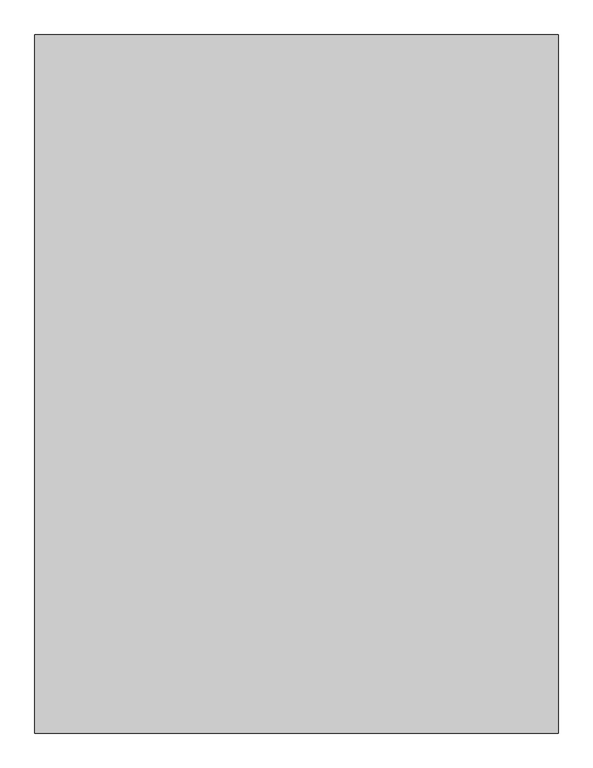
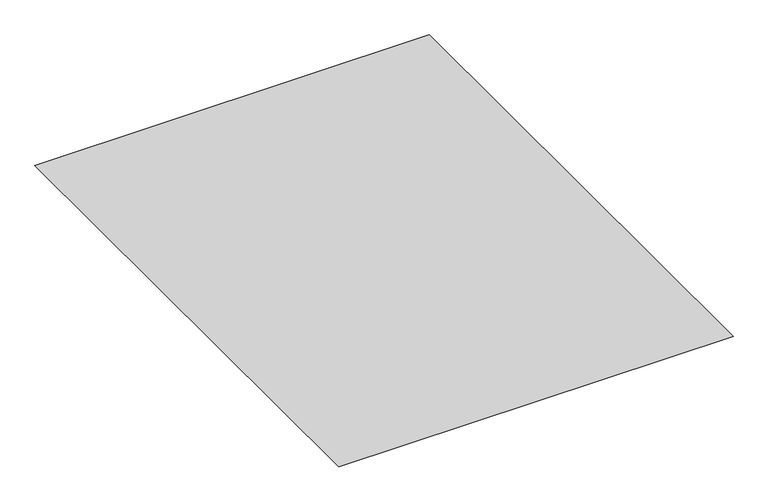
"""IFC4 building model written with IfcOpenShell, lengths in millimetres: furniture geometry."""

from ifc_helpers import new_model, si_unit, origin, place, context, project, spatial, triangles, source, transform, mapped, element, save


def furniture_90916e82(model_context):
    return source(origin(), model_context, "Body", "Tessellation", [
        triangles([(-1499.9998661, 2000.000742, 1.5265399), (-1499.9991394, -2000.001178, 1.5265399), (1499.9998661, -2000.000742, 1.5265399), (1499.9991394, 2000.001178, 1.5265399)], [[1, 2, 3], [1, 3, 4]], closed=False),
    ])


if __name__ == "__main__":
    model = new_model("IFC4")
    model_context = context("Model", 3, world=origin())
    ifc_project = project(units=[si_unit("LENGTHUNIT", "METRE", prefix="MILLI")], contexts=[model_context])
    site = spatial("IfcSite", under=ifc_project)
    building = spatial("IfcBuilding", under=site)
    placement = place(None, origin())
    furniture_shape = furniture_90916e82(model_context)
    element("IfcFurniture", 1, at=placement, inside=building, context=model_context, shape_type="MappedRepresentation", body=[
        mapped(furniture_shape, transform((0.0, 0.0, 0.0), x_axis=(1.0, 0.0, 0.0), y_axis=(0.0, 1.0, 0.0), z_axis=(0.0, 0.0, 1.0))),
    ])
    save(model, "model.ifc")
